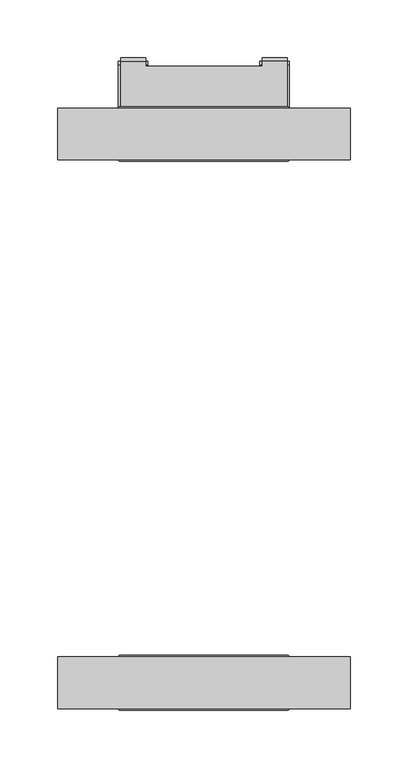
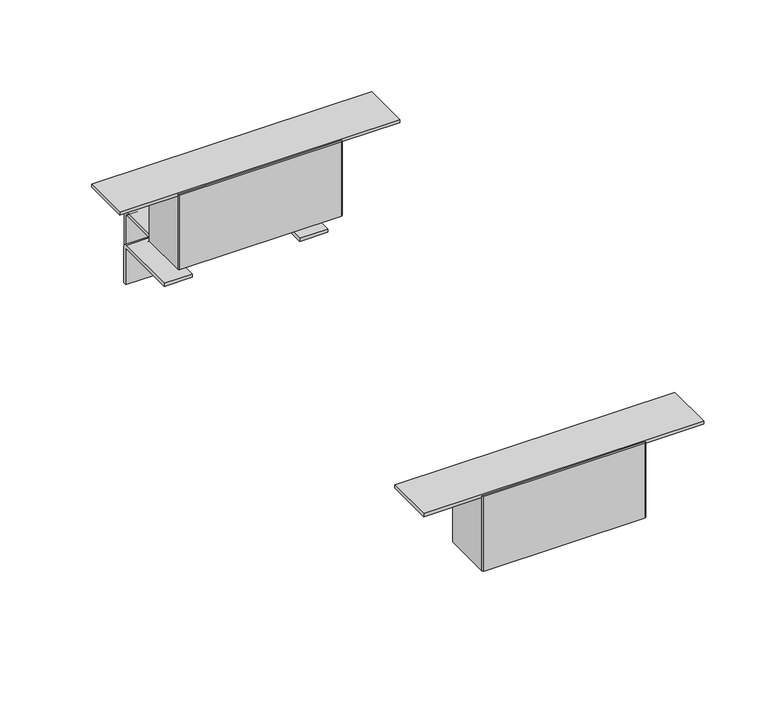
"""IFC4 building model written with IfcOpenShell, lengths in millimetres: furniture geometry."""

from ifc_helpers import new_model, si_unit, point, frame, frame_2d, origin, place, context, project, spatial, polyline, circle_curve, trimmed, segment, composite_curve, outline, extrude, faceted_brep, source, transform, mapped, element, save
from ifc_brep_helpers import plane_surface, cylinder_surface, revolved_surface, advanced_brep


def furniture_e19c69c2(model_context):
    return source(origin(), model_context, "Body", "SolidModel", [
        faceted_brep([(295.5643355, -544.4998089, 723.90762), (296.5803346, -545.5158079, 723.90762), (296.5803346, -591.4516942, 723.90762), (295.5643355, -592.4676933, 723.90762), (148.8539319, -592.4676933, 723.90762), (147.8379329, -591.4516942, 723.90762), (147.8379329, -545.5158079, 723.90762), (148.8539319, -544.4998089, 723.90762), (295.5643355, -544.4998089, 795.6626152), (148.8539319, -544.4998089, 795.6626152), (147.8379329, -545.5158079, 795.6626152), (147.8379329, -545.8460067, 795.6626152), (296.5803346, -545.8460067, 795.6626152), (296.5803346, -545.5158079, 795.6626152), (147.8379329, -591.4516942, 795.6626152), (148.8539319, -592.4676933, 795.6626152), (295.5643355, -592.4676933, 795.6626152), (296.5803346, -591.4516942, 795.6626152), (296.5803346, -591.1215, 795.6626152), (147.8379329, -591.1215, 795.6626152), (296.5803346, -545.8460067, 794.1386529), (296.5803346, -591.1215, 794.1386529), (147.8379329, -591.1215, 794.1386529), (147.8379329, -545.8460067, 794.1386529), (349.2091352, -545.8460067, 797.18665), (349.2091352, -591.1215, 797.18665), (349.2091352, -591.1215, 794.1386529), (349.2091352, -545.8460067, 794.1386529), (95.2091322, -545.8460067, 797.18665), (95.2091322, -545.8460067, 794.1386529), (95.2091322, -591.1215, 794.1386529), (95.2091322, -591.1215, 797.18665)], [[[0, 1, 2, 3, 4, 5, 6, 7]], [[8, 9, 10, 11, 12, 13]], [[14, 15, 16, 17, 18, 19]], [[1, 0, 8, 13]], [[2, 1, 13, 12, 20, 21, 18, 17]], [[3, 2, 17, 16]], [[4, 3, 16, 15]], [[5, 4, 15, 14]], [[6, 5, 14, 19, 22, 23, 11, 10]], [[7, 6, 10, 9]], [[0, 7, 9, 8]], [[24, 25, 26, 27]], [[28, 29, 30, 31]], [[25, 24, 28, 31]], [[26, 25, 31, 30, 22, 19, 18, 21]], [[27, 26, 21, 20]], [[30, 29, 23, 22]], [[24, 27, 20, 12, 11, 23, 29, 28]]]),
        extrude(outline(composite_curve([segment(polyline([(-92.1582465, 697.2249464), (-32.308182, 697.2249464)]), True, "CONTINUOUS"), segment(trimmed(circle_curve(frame_2d((-32.308182, 693.5806647)), 3.6442816), [point((-32.308182, 697.2249464))], [point((-28.6639004, 693.5806647))], False, "CARTESIAN"), True, "CONTINUOUS"), segment(polyline([(-28.6639004, 693.5806647), (-28.6639004, 659.1375909), (-31.7118997, 659.1375909), (-31.7118997, 692.4814463)]), True, "CONTINUOUS"), segment(trimmed(circle_curve(frame_2d((-33.4074027, 692.4814463)), 1.695503), [point((-31.7118997, 692.4814463))], [point((-33.4074027, 694.1769493))], True, "CARTESIAN"), True, "CONTINUOUS"), segment(polyline([(-33.4074027, 694.1769493), (-92.1582465, 694.1769493), (-92.1582465, 697.2249464)]), True, "CONTINUOUS")], self_intersect=False)), frame((270.9517209, 0.0, 0.0), z_axis=(1.0, 0.0, 0.0), x_axis=(0.0, 1.0, 0.0)), (0.0, 0.0, 1.0), 25.4000121),
        extrude(outline(composite_curve([segment(polyline([(-92.1582465, 697.2249464), (-32.308182, 697.2249464)]), True, "CONTINUOUS"), segment(trimmed(circle_curve(frame_2d((-32.308182, 693.5806647)), 3.6442816), [point((-32.308182, 697.2249464))], [point((-28.6639004, 693.5806647))], False, "CARTESIAN"), True, "CONTINUOUS"), segment(polyline([(-28.6639004, 693.5806647), (-28.6639004, 659.1375909), (-31.7118997, 659.1375909), (-31.7118997, 692.4814463)]), True, "CONTINUOUS"), segment(trimmed(circle_curve(frame_2d((-33.4074027, 692.4814463)), 1.695503), [point((-31.7118997, 692.4814463))], [point((-33.4074027, 694.1769493))], True, "CARTESIAN"), True, "CONTINUOUS"), segment(polyline([(-33.4074027, 694.1769493), (-92.1582465, 694.1769493), (-92.1582465, 697.2249464)]), True, "CONTINUOUS")], self_intersect=False)), frame((148.0665254, 0.0, 0.0), z_axis=(1.0, 0.0, 0.0), x_axis=(0.0, 1.0, 0.0)), (0.0, 0.0, 1.0), 25.4000121),
        advanced_brep(
        [(171.5615303, -28.6639004, 722.2171031), (171.5615303, -28.6639004, 659.1375909), (171.5615303, -25.615901, 659.1375909), (171.5615303, -25.615901, 723.6109444), (171.5615303, -28.9605737, 726.9556171), (171.5615303, -33.2359006, 726.9556171), (171.5615303, -33.2359006, 723.90762), (171.5615303, -30.3544173, 723.90762), (149.9715327, -28.6639004, 722.2171031), (149.9715327, -30.3544173, 723.90762), (149.9715327, -68.338702, 723.90762), (149.9715327, -68.338702, 726.9556171), (149.9715327, -28.9605737, 726.9556171), (149.9715327, -25.615901, 723.6109444), (149.9715327, -25.615901, 659.1375909), (149.9715327, -28.6639004, 659.1375909), (294.4467257, -68.338702, 726.9556171), (294.4467257, -28.9605737, 726.9556171), (272.8567281, -28.9605737, 726.9556171), (272.8567281, -33.2359006, 726.9556171), (272.8567281, -33.2359006, 723.90762), (272.8567281, -30.3544173, 723.90762), (294.4467257, -30.3544173, 723.90762), (294.4467257, -68.338702, 723.90762), (295.5643355, -68.338702, 723.90762), (296.5803346, -69.3547011, 723.90762), (296.5803346, -114.4650971, 723.90762), (295.5643355, -115.4810961, 723.90762), (148.8539319, -115.4810961, 723.90762), (147.8379329, -114.4650971, 723.90762), (147.8379329, -69.3547011, 723.90762), (148.8539319, -68.338702, 723.90762), (294.4467257, -28.6639004, 722.2171031), (294.4467257, -28.6639004, 659.1375909), (294.4467257, -25.615901, 659.1375909), (294.4467257, -25.615901, 723.6109444), (272.8567281, -28.6639004, 722.2171031), (272.8567281, -25.615901, 723.6109444), (272.8567281, -25.615901, 659.1375909), (272.8567281, -28.6639004, 659.1375909), (295.5643355, -68.338702, 795.6626152), (148.8539319, -68.338702, 795.6626152), (147.8379329, -69.3547011, 795.6626152), (147.8379329, -69.6848999, 795.6626152), (296.5803346, -69.6848999, 795.6626152), (296.5803346, -69.3547011, 795.6626152), (147.8379329, -114.4650971, 795.6626152), (148.8539319, -115.4810961, 795.6626152), (295.5643355, -115.4810961, 795.6626152), (296.5803346, -114.4650971, 795.6626152), (296.5803346, -114.1349029, 795.6626152), (147.8379329, -114.1349029, 795.6626152), (296.5803346, -69.6848999, 794.1386529), (296.5803346, -114.1349029, 794.1386529), (147.8379329, -114.1349029, 794.1386529), (147.8379329, -69.6848999, 794.1386529), (349.2091352, -69.6848999, 797.18665), (349.2091352, -114.1349029, 797.18665), (349.2091352, -114.1349029, 794.1386529), (349.2091352, -69.6848999, 794.1386529), (95.2091322, -69.6848999, 797.18665), (95.2091322, -69.6848999, 794.1386529), (95.2091322, -114.1349029, 794.1386529), (95.2091322, -114.1349029, 797.18665)],
        [
            (0, 1),
            (1, 2),
            (2, 3),
            (3, 4, circle_curve(frame((171.5615303, -28.9605737, 723.6109444), z_axis=(1.0, 0.0, 0.0), x_axis=(0.0, 1.0, 0.0)), 3.3446727)),
            (4, 5),
            (5, 6),
            (6, 7),
            (7, 0, circle_curve(frame((171.5615303, -30.3544173, 722.2171031), z_axis=(-1.0, 0.0, 0.0), x_axis=(0.0, 1.0, 0.0)), 1.6905169)),
            (8, 9, circle_curve(frame((149.9715327, -30.3544173, 722.2171031), z_axis=(1.0, 0.0, 0.0), x_axis=(0.0, 1.0, 0.0)), 1.6905169)),
            (9, 10),
            (10, 11),
            (11, 12),
            (12, 13, circle_curve(frame((149.9715327, -28.9605737, 723.6109444), z_axis=(-1.0, 0.0, 0.0), x_axis=(0.0, 1.0, 0.0)), 3.3446727)),
            (13, 14),
            (14, 15),
            (15, 8),
            (0, 8),
            (15, 1),
            (14, 2),
            (13, 3),
            (12, 4),
            (11, 16),
            (16, 17),
            (17, 18),
            (18, 19),
            (19, 5),
            (6, 20),
            (20, 21),
            (21, 22),
            (22, 23),
            (23, 24),
            (24, 25),
            (25, 26),
            (26, 27),
            (27, 28),
            (28, 29),
            (29, 30),
            (30, 31),
            (31, 10),
            (9, 7),
            (32, 33),
            (33, 34),
            (34, 35),
            (35, 17, circle_curve(frame((294.4467257, -28.9605737, 723.6109444), z_axis=(1.0, 0.0, 0.0), x_axis=(0.0, 1.0, 0.0)), 3.3446727)),
            (16, 23),
            (22, 32, circle_curve(frame((294.4467257, -30.3544173, 722.2171031), z_axis=(-1.0, 0.0, 0.0), x_axis=(0.0, 1.0, 0.0)), 1.6905169)),
            (19, 20),
            (36, 21, circle_curve(frame((272.8567281, -30.3544173, 722.2171031), z_axis=(1.0, 0.0, 0.0), x_axis=(0.0, 1.0, 0.0)), 1.6905169)),
            (18, 37, circle_curve(frame((272.8567281, -28.9605737, 723.6109444), z_axis=(-1.0, 0.0, 0.0), x_axis=(0.0, 1.0, 0.0)), 3.3446727)),
            (37, 38),
            (38, 39),
            (39, 36),
            (39, 33),
            (32, 36),
            (38, 34),
            (37, 35),
            (40, 41),
            (41, 42),
            (42, 43),
            (43, 44),
            (44, 45),
            (45, 40),
            (46, 47),
            (47, 48),
            (48, 49),
            (49, 50),
            (50, 51),
            (51, 46),
            (24, 40),
            (45, 25),
            (44, 52),
            (52, 53),
            (53, 50),
            (49, 26),
            (48, 27),
            (47, 28),
            (46, 29),
            (51, 54),
            (54, 55),
            (55, 43),
            (42, 30),
            (41, 31),
            (56, 57),
            (57, 58),
            (58, 59),
            (59, 56),
            (60, 61),
            (61, 62),
            (62, 63),
            (63, 60),
            (56, 60),
            (63, 57),
            (62, 54),
            (53, 58),
            (52, 59),
            (61, 55),
        ],
        [
            plane_surface(frame((171.5615303, -28.6639004, 722.2171031), z_axis=(1.0, 0.0, 0.0), x_axis=(0.0, 0.0, -1.0))),
            plane_surface(frame((149.9715327, -28.6639004, 722.2171031), z_axis=(-1.0, 0.0, 0.0), x_axis=(0.0, 0.0, 1.0))),
            plane_surface(frame((149.9715327, -28.6639004, 659.1375909), z_axis=(0.0, -1.0, 0.0), x_axis=(1.0, 0.0, 0.0))),
            plane_surface(frame((149.9715327, -25.615901, 659.1375909), z_axis=(0.0, 0.0, -1.0), x_axis=(1.0, 0.0, 0.0))),
            plane_surface(frame((149.9715327, -25.615901, 723.6109444), z_axis=(0.0, 1.0, 0.0), x_axis=(1.0, 0.0, 0.0))),
            cylinder_surface(frame((171.5615303, -28.9605737, 723.6109444), z_axis=(-1.0, 0.0, 0.0), x_axis=(0.0, 1.0, 0.0)), 3.3446727),
            plane_surface(frame((149.9715327, -33.2359006, 726.9556171), z_axis=(0.0, 0.0, 1.0), x_axis=(1.0, 0.0, 0.0))),
            plane_surface(frame((149.9715327, -30.3544173, 723.90762), z_axis=(0.0, 0.0, -1.0), x_axis=(1.0, 0.0, 0.0))),
            revolved_surface(polyline([(171.5615303, -28.663900400000003, 722.2171031), (149.9715327, -28.663900400000003, 722.2171031)]), (171.5615303, -30.3544173, 722.2171031), (1.0, 0.0, 0.0)),
            plane_surface(frame((294.4467257, -114.2110974, 726.9556171), z_axis=(1.0, 0.0, 0.0), x_axis=(0.0, -1.0, 0.0))),
            plane_surface(frame((294.4467257, -33.2359006, 723.90762), z_axis=(0.0, 1.0, 0.0), x_axis=(-1.0, 0.0, 0.0))),
            plane_surface(frame((272.8567281, -28.6639004, 659.1375909), z_axis=(-1.0, 0.0, 0.0), x_axis=(0.0, 0.0, 1.0))),
            plane_surface(frame((294.4467257, -28.6639004, 722.2171031), z_axis=(0.0, -1.0, 0.0), x_axis=(-1.0, 0.0, 0.0))),
            plane_surface(frame((294.4467257, -28.6639004, 659.1375909), z_axis=(0.0, 0.0, -1.0), x_axis=(-1.0, 0.0, 0.0))),
            plane_surface(frame((294.4467257, -25.615901, 659.1375909), z_axis=(0.0, 1.0, 0.0), x_axis=(-1.0, 0.0, 0.0))),
            cylinder_surface(frame((272.8567281, -28.9605737, 723.6109444), z_axis=(1.0, 0.0, 0.0), x_axis=(0.0, 1.0, 0.0)), 3.3446727),
            revolved_surface(polyline([(272.8567281, -28.663900400000003, 722.2171031), (294.4467257, -28.663900400000003, 722.2171031)]), (272.8567281, -30.3544173, 722.2171031), (-1.0, 0.0, 0.0)),
            plane_surface(frame((295.5643355, -68.338702, 795.6626152), z_axis=(0.0, 0.0, 1.0000000000000002), x_axis=(-0.7071067811865476, 0.7071067811865476, 0.0))),
            plane_surface(frame((295.5643355, -68.338702, 723.90762), z_axis=(0.7071067811865476, 0.7071067811865476, 0.0), x_axis=(0.0, 0.0, 1.0))),
            plane_surface(frame((296.5803346, -69.3547011, 723.90762), z_axis=(1.0, 0.0, 0.0), x_axis=(0.0, 0.0, 1.0))),
            plane_surface(frame((296.5803346, -114.4650971, 723.90762), z_axis=(0.7071067811865476, -0.7071067811865476, 0.0), x_axis=(0.0, 0.0, 1.0))),
            plane_surface(frame((295.5643355, -115.4810961, 723.90762), z_axis=(0.0, -1.0, 0.0), x_axis=(0.0, 0.0, 1.0))),
            plane_surface(frame((148.8539319, -115.4810961, 723.90762), z_axis=(-0.7071067811865476, -0.7071067811865476, 0.0), x_axis=(0.0, 0.0, 1.0))),
            plane_surface(frame((147.8379329, -114.4650971, 723.90762), z_axis=(-1.0, 0.0, 0.0), x_axis=(0.0, 0.0, 1.0))),
            plane_surface(frame((147.8379329, -69.3547011, 723.90762), z_axis=(-0.7071067811865476, 0.7071067811865476, 0.0), x_axis=(0.0, 0.0, 1.0))),
            plane_surface(frame((148.8539319, -68.338702, 723.90762), z_axis=(0.0, 1.0, 0.0), x_axis=(0.0, 0.0, 1.0))),
            plane_surface(frame((349.2091352, -114.1349029, 797.18665), z_axis=(1.0, 0.0, 0.0), x_axis=(0.0, -1.0, 0.0))),
            plane_surface(frame((95.2091322, -114.1349029, 797.18665), z_axis=(-1.0, 0.0, 0.0), x_axis=(0.0, 1.0, 0.0))),
            plane_surface(frame((349.2091352, -69.6848999, 797.18665), z_axis=(0.0, 0.0, 1.0), x_axis=(-1.0, 0.0, 0.0))),
            plane_surface(frame((349.2091352, -114.1349029, 797.18665), z_axis=(0.0, -1.0, 0.0), x_axis=(-1.0, 0.0, 0.0))),
            plane_surface(frame((349.2091352, -114.1349029, 794.1386529), z_axis=(0.0, 0.0, -1.0), x_axis=(-1.0, 0.0, 0.0))),
            plane_surface(frame((349.2091352, -69.6848999, 794.1386529), z_axis=(0.0, 1.0, 0.0), x_axis=(-1.0, 0.0, 0.0))),
        ],
        [
            (0, [[1, 2, 3, 4, 5, 6, 7, 8]]),
            (1, [[9, 10, 11, 12, 13, 14, 15, 16]]),
            (2, [[-1, 17, -16, 18]]),
            (3, [[-2, -18, -15, 19]]),
            (4, [[-3, -19, -14, 20]]),
            (5, [[-4, -20, -13, 21]]),
            (6, [[-5, -21, -12, 22, 23, 24, 25, 26]]),
            (7, [[-7, 27, 28, 29, 30, 31, 32, 33, 34, 35, 36, 37, 38, 39, -10, 40]]),
            (8, [[-8, -40, -9, -17]]),
            (9, [[41, 42, 43, 44, -23, 45, -30, 46]]),
            (10, [[-6, -26, 47, -27]]),
            (11, [[48, -28, -47, -25, 49, 50, 51, 52]]),
            (12, [[-52, 53, -41, 54]]),
            (13, [[-51, 55, -42, -53]]),
            (14, [[-50, 56, -43, -55]]),
            (15, [[-49, -24, -44, -56]]),
            (16, [[-48, -54, -46, -29]]),
            (17, [[57, 58, 59, 60, 61, 62]]),
            (17, [[63, 64, 65, 66, 67, 68]]),
            (18, [[-32, 69, -62, 70]]),
            (19, [[-33, -70, -61, 71, 72, 73, -66, 74]]),
            (20, [[-34, -74, -65, 75]]),
            (21, [[-35, -75, -64, 76]]),
            (22, [[-36, -76, -63, 77]]),
            (23, [[-37, -77, -68, 78, 79, 80, -59, 81]]),
            (24, [[-38, -81, -58, 82]]),
            (25, [[-57, -69, -31, -45, -22, -11, -39, -82]]),
            (26, [[83, 84, 85, 86]]),
            (27, [[87, 88, 89, 90]]),
            (28, [[-83, 91, -90, 92]]),
            (29, [[-84, -92, -89, 93, -78, -67, -73, 94]]),
            (30, [[-85, -94, -72, 95]]),
            (30, [[-88, 96, -79, -93]]),
            (31, [[-86, -95, -71, -60, -80, -96, -87, -91]]),
        ],
    ),
    ])


if __name__ == "__main__":
    model = new_model("IFC4")
    model_context = context("Model", 3, world=origin())
    ifc_project = project(units=[si_unit("LENGTHUNIT", "METRE", prefix="MILLI")], contexts=[model_context])
    site = spatial("IfcSite", under=ifc_project)
    building = spatial("IfcBuilding", under=site)
    placement = place(None, origin())
    furniture_shape = furniture_e19c69c2(model_context)
    element("IfcFurniture", 1, at=placement, inside=building, context=model_context, shape_type="MappedRepresentation", body=[
        mapped(furniture_shape, transform((0.0, 0.0, 0.0), x_axis=(1.0, 0.0, 0.0), y_axis=(0.0, 1.0, 0.0), z_axis=(0.0, 0.0, 1.0))),
    ])
    save(model, "model.ifc")
